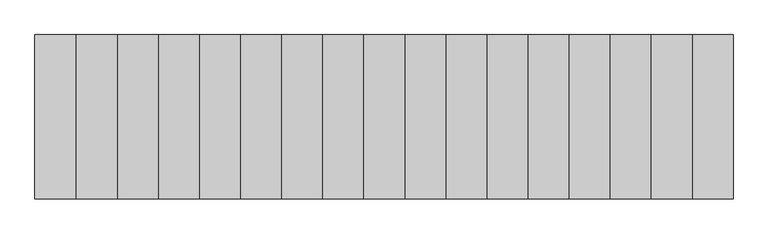
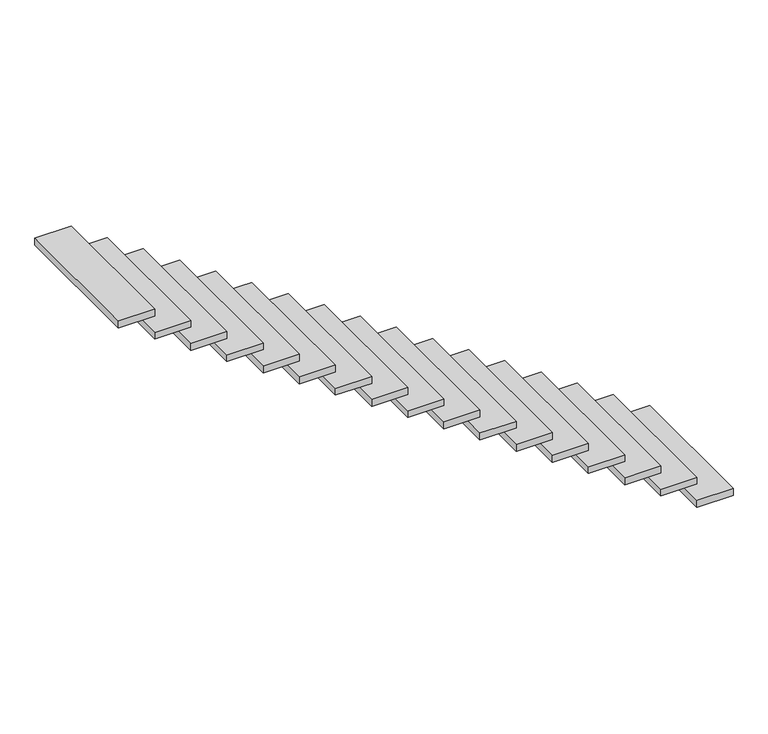
"""IFC4 building model written with IfcOpenShell, lengths in millimetres: stair flight geometry."""

from ifc_helpers import new_model, si_unit, frame, origin, place, context, project, spatial, polyline, outline, extrude, source, transform, mapped, element, save


def stair_flight_ac8ce9b7(model_context):
    return source(origin(), model_context, "Body", "SweptSolid", [
        extrude(outline(polyline([(5564.840733, -1132.5565905), (5564.840733, -132.5565905), (5814.840733, -132.5565905), (5814.840733, -1132.5565905), (5564.840733, -1132.5565905)])), frame((0.0, 0.0, -2930.5555556), z_axis=(0.0, 0.0, 1.0), x_axis=(1.0, 0.0, 0.0)), (0.0, 0.0, 1.0), 50.0),
        extrude(outline(polyline([(5314.840733, -1132.5565905), (5314.840733, -132.5565905), (5564.840733, -132.5565905), (5564.840733, -1132.5565905), (5314.840733, -1132.5565905)])), frame((0.0, 0.0, -2761.1111111), z_axis=(0.0, 0.0, 1.0), x_axis=(1.0, 0.0, 0.0)), (0.0, 0.0, 1.0), 50.0),
        extrude(outline(polyline([(5064.840733, -1132.5565905), (5064.840733, -132.5565905), (5314.840733, -132.5565905), (5314.840733, -1132.5565905), (5064.840733, -1132.5565905)])), frame((0.0, 0.0, -2591.6666667), z_axis=(0.0, 0.0, 1.0), x_axis=(1.0, 0.0, 0.0)), (0.0, 0.0, 1.0), 50.0),
        extrude(outline(polyline([(4814.840733, -1132.5565905), (4814.840733, -132.5565905), (5064.840733, -132.5565905), (5064.840733, -1132.5565905), (4814.840733, -1132.5565905)])), frame((0.0, 0.0, -2422.2222222), z_axis=(0.0, 0.0, 1.0), x_axis=(1.0, 0.0, 0.0)), (0.0, 0.0, 1.0), 50.0),
        extrude(outline(polyline([(4564.840733, -1132.5565905), (4564.840733, -132.5565905), (4814.840733, -132.5565905), (4814.840733, -1132.5565905), (4564.840733, -1132.5565905)])), frame((0.0, 0.0, -2252.7777778), z_axis=(0.0, 0.0, 1.0), x_axis=(1.0, 0.0, 0.0)), (0.0, 0.0, 1.0), 50.0),
        extrude(outline(polyline([(4314.840733, -1132.5565905), (4314.840733, -132.5565905), (4564.840733, -132.5565905), (4564.840733, -1132.5565905), (4314.840733, -1132.5565905)])), frame((0.0, 0.0, -2083.3333333), z_axis=(0.0, 0.0, 1.0), x_axis=(1.0, 0.0, 0.0)), (0.0, 0.0, 1.0), 50.0),
        extrude(outline(polyline([(4064.840733, -1132.5565905), (4064.840733, -132.5565905), (4314.840733, -132.5565905), (4314.840733, -1132.5565905), (4064.840733, -1132.5565905)])), frame((0.0, 0.0, -1913.8888889), z_axis=(0.0, 0.0, 1.0), x_axis=(1.0, 0.0, 0.0)), (0.0, 0.0, 1.0), 50.0),
        extrude(outline(polyline([(3814.840733, -1132.5565905), (3814.840733, -132.5565905), (4064.840733, -132.5565905), (4064.840733, -1132.5565905), (3814.840733, -1132.5565905)])), frame((0.0, 0.0, -1744.4444444), z_axis=(0.0, 0.0, 1.0), x_axis=(1.0, 0.0, 0.0)), (0.0, 0.0, 1.0), 50.0),
        extrude(outline(polyline([(3564.840733, -1132.5565905), (3564.840733, -132.5565905), (3814.840733, -132.5565905), (3814.840733, -1132.5565905), (3564.840733, -1132.5565905)])), frame((0.0, 0.0, -1575.0), z_axis=(0.0, 0.0, 1.0), x_axis=(1.0, 0.0, 0.0)), (0.0, 0.0, 1.0), 50.0),
        extrude(outline(polyline([(3314.840733, -1132.5565905), (3314.840733, -132.5565905), (3564.840733, -132.5565905), (3564.840733, -1132.5565905), (3314.840733, -1132.5565905)])), frame((0.0, 0.0, -1405.5555556), z_axis=(0.0, 0.0, 1.0), x_axis=(1.0, 0.0, 0.0)), (0.0, 0.0, 1.0), 50.0),
        extrude(outline(polyline([(3064.840733, -1132.5565905), (3064.840733, -132.5565905), (3314.840733, -132.5565905), (3314.840733, -1132.5565905), (3064.840733, -1132.5565905)])), frame((0.0, 0.0, -1236.1111111), z_axis=(0.0, 0.0, 1.0), x_axis=(1.0, 0.0, 0.0)), (0.0, 0.0, 1.0), 50.0),
        extrude(outline(polyline([(2814.840733, -1132.5565905), (2814.840733, -132.5565905), (3064.840733, -132.5565905), (3064.840733, -1132.5565905), (2814.840733, -1132.5565905)])), frame((0.0, 0.0, -1066.6666667), z_axis=(0.0, 0.0, 1.0), x_axis=(1.0, 0.0, 0.0)), (0.0, 0.0, 1.0), 50.0),
        extrude(outline(polyline([(2564.840733, -1132.5565905), (2564.840733, -132.5565905), (2814.840733, -132.5565905), (2814.840733, -1132.5565905), (2564.840733, -1132.5565905)])), frame((0.0, 0.0, -897.2222222), z_axis=(0.0, 0.0, 1.0), x_axis=(1.0, 0.0, 0.0)), (0.0, 0.0, 1.0), 50.0),
        extrude(outline(polyline([(2314.840733, -1132.5565905), (2314.840733, -132.5565905), (2564.840733, -132.5565905), (2564.840733, -1132.5565905), (2314.840733, -1132.5565905)])), frame((0.0, 0.0, -727.7777778), z_axis=(0.0, 0.0, 1.0), x_axis=(1.0, 0.0, 0.0)), (0.0, 0.0, 1.0), 50.0),
        extrude(outline(polyline([(2064.840733, -1132.5565905), (2064.840733, -132.5565905), (2314.840733, -132.5565905), (2314.840733, -1132.5565905), (2064.840733, -1132.5565905)])), frame((0.0, 0.0, -558.3333333), z_axis=(0.0, 0.0, 1.0), x_axis=(1.0, 0.0, 0.0)), (0.0, 0.0, 1.0), 50.0),
        extrude(outline(polyline([(1814.840733, -1132.5565905), (1814.840733, -132.5565905), (2064.840733, -132.5565905), (2064.840733, -1132.5565905), (1814.840733, -1132.5565905)])), frame((0.0, 0.0, -388.8888889), z_axis=(0.0, 0.0, 1.0), x_axis=(1.0, 0.0, 0.0)), (0.0, 0.0, 1.0), 50.0),
        extrude(outline(polyline([(1564.840733, -1132.5565905), (1564.840733, -132.5565905), (1814.840733, -132.5565905), (1814.840733, -1132.5565905), (1564.840733, -1132.5565905)])), frame((0.0, 0.0, -219.4444444), z_axis=(0.0, 0.0, 1.0), x_axis=(1.0, 0.0, 0.0)), (0.0, 0.0, 1.0), 50.0),
    ])


if __name__ == "__main__":
    model = new_model("IFC4")
    model_context = context("Model", 3, world=origin())
    ifc_project = project(units=[si_unit("LENGTHUNIT", "METRE", prefix="MILLI")], contexts=[model_context])
    site = spatial("IfcSite", under=ifc_project)
    building = spatial("IfcBuilding", under=site)
    placement = place(None, origin())
    stair_flight_shape = stair_flight_ac8ce9b7(model_context)
    element("IfcStairFlight", 1, at=placement, inside=building, context=model_context, shape_type="MappedRepresentation", body=[
        mapped(stair_flight_shape, transform((0.0, 0.0, 0.0), x_axis=(1.0, 0.0, 0.0), y_axis=(0.0, 1.0, 0.0), z_axis=(0.0, 0.0, 1.0))),
    ])
    save(model, "model.ifc")
